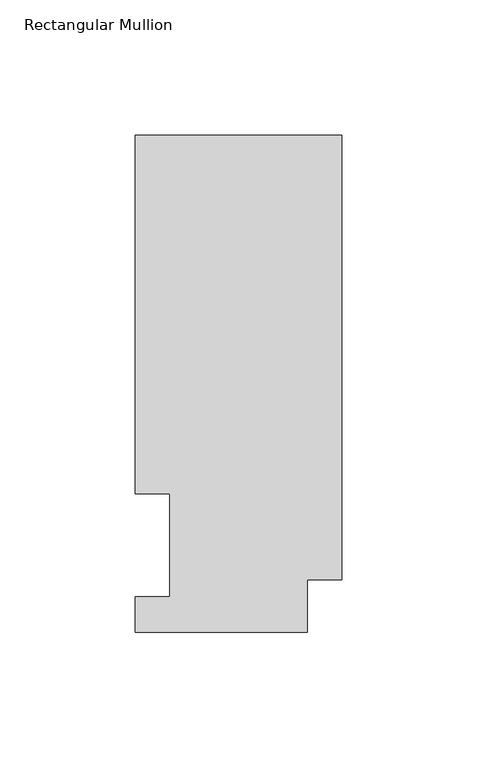
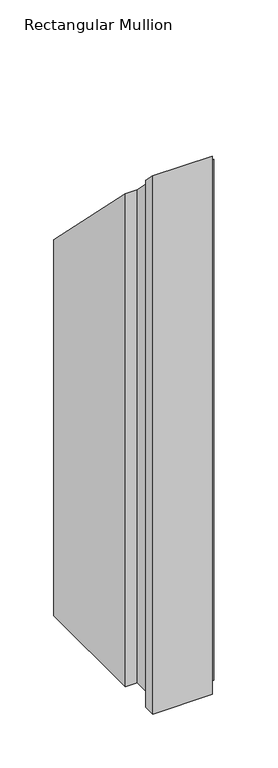
"""IFC4 building model written with IfcOpenShell, lengths in millimetres: member geometry, Rectangular Mullion."""

from ifc_helpers import new_model, si_unit, origin, place, context, project, spatial, faceted_brep, source, transform, mapped, element, save


def rectangular_mullion_01bac5bd(model_context):
    return source(origin(), model_context, "Body", "Brep", [
        faceted_brep([(-76.2000004, 183.6764448, -609.6), (0.0, 183.6764448, -609.6), (0.0, 19.5670448, -609.6), (-12.7, 19.5670448, -609.6), (-12.7, 0.0344448, -609.6), (-76.2, 0.0344446, -609.6), (-76.2, 13.2170446, -609.6), (-63.5127001, 13.2170446, -609.6), (-63.5127002, 51.2960938, -609.6), (-76.2000004, 51.2960938, -609.6), (-76.2000004, 183.6764448, -183.6764448), (0.0, 183.6764448, -183.6764448), (0.0, 19.5670448, -19.5670448), (-12.7, 19.5670448, -19.5670448), (-12.7, 0.0344448, -0.0344448), (-76.2, 0.0344446, -0.0344446), (-76.2, 13.2170446, -13.2170446), (-63.5127001, 13.2170446, -13.2170446), (-63.5127002, 51.2960938, -51.2960937), (-76.2000004, 51.2960938, -51.2960937)], [[[0, 1, 2, 3, 4, 5, 6, 7, 8, 9]], [[10, 11, 1, 0]], [[11, 12, 2, 1]], [[12, 13, 3, 2]], [[13, 14, 4, 3]], [[14, 15, 5, 4]], [[15, 16, 6, 5]], [[16, 17, 7, 6]], [[17, 18, 8, 7]], [[18, 19, 9, 8]], [[19, 10, 0, 9]], [[10, 19, 18, 17, 16, 15, 14, 13, 12, 11]]]),
    ])


if __name__ == "__main__":
    model = new_model("IFC4")
    model_context = context("Model", 3, world=origin())
    ifc_project = project(units=[si_unit("LENGTHUNIT", "METRE", prefix="MILLI")], contexts=[model_context])
    site = spatial("IfcSite", under=ifc_project)
    building = spatial("IfcBuilding", under=site)
    placement = place(None, origin())
    rectangular_mullion_shape = rectangular_mullion_01bac5bd(model_context)
    element("IfcMember", 1, ObjectType="Rectangular Mullion", at=placement, inside=building, context=model_context, shape_type="MappedRepresentation", body=[
        mapped(rectangular_mullion_shape, transform((0.0, 0.0, 0.0), x_axis=(1.0, 0.0, 0.0), y_axis=(0.0, 1.0, 0.0), z_axis=(0.0, 0.0, 1.0))),
    ])
    save(model, "model.ifc")
